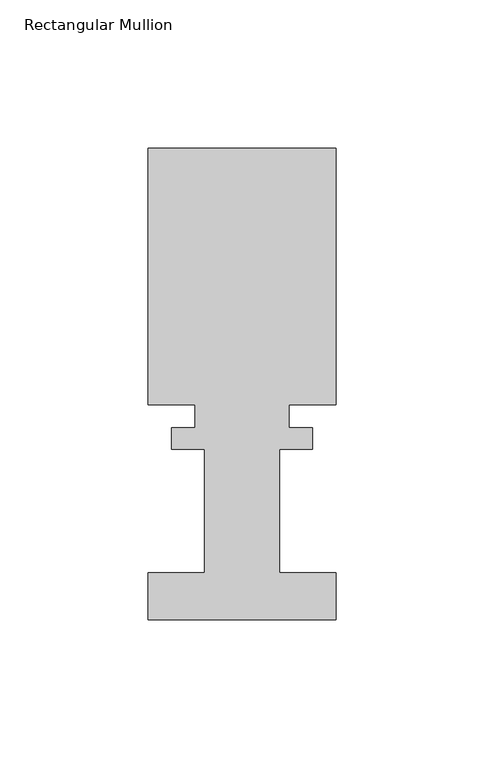
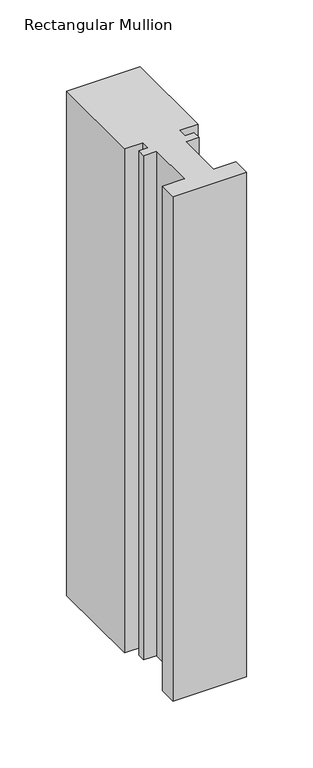
"""IFC4 building model written with IfcOpenShell, lengths in millimetres: member geometry, Rectangular Mullion."""

from ifc_helpers import new_model, si_unit, frame, origin, place, context, project, spatial, polyline, outline, extrude, source, transform, mapped, element, save


def rectangular_mullion_a3c60858(model_context):
    return source(origin(), model_context, "Body", "SweptSolid", [
        extrude(outline(polyline([(31.75, 101.6992188), (31.75, 15.1614188), (15.875, 15.1614188), (15.875, 7.2620187), (23.8252, 7.2620187), (23.8252, 0.0992187), (12.7, 0.0992187), (12.7, -41.5602697), (31.75, -41.5602697), (31.75, -57.4317813), (-31.75, -57.4317813), (-31.75, -41.5602697), (-12.7, -41.5602697), (-12.7, 0.0992187), (-23.8252, 0.0992187), (-23.8252, 7.2620188), (-15.875, 7.2620188), (-15.875, 15.1614188), (-31.75, 15.1614188), (-31.75, 101.6992188), (31.75, 101.6992188)])), frame((0.0, 0.0, -460.8040572), z_axis=(0.0, 0.0, 1.0), x_axis=(1.0, 0.0, 0.0)), (0.0, 0.0, 1.0), 460.8040572),
    ])


if __name__ == "__main__":
    model = new_model("IFC4")
    model_context = context("Model", 3, world=origin())
    ifc_project = project(units=[si_unit("LENGTHUNIT", "METRE", prefix="MILLI")], contexts=[model_context])
    site = spatial("IfcSite", under=ifc_project)
    building = spatial("IfcBuilding", under=site)
    placement = place(None, origin())
    rectangular_mullion_shape = rectangular_mullion_a3c60858(model_context)
    element("IfcMember", 1, ObjectType="Rectangular Mullion", at=placement, inside=building, context=model_context, shape_type="MappedRepresentation", body=[
        mapped(rectangular_mullion_shape, transform((0.0, 0.0, 0.0), x_axis=(1.0, 0.0, 0.0), y_axis=(0.0, 1.0, 0.0), z_axis=(0.0, 0.0, 1.0))),
    ])
    save(model, "model.ifc")
